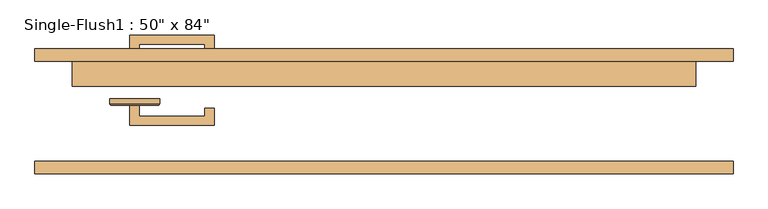
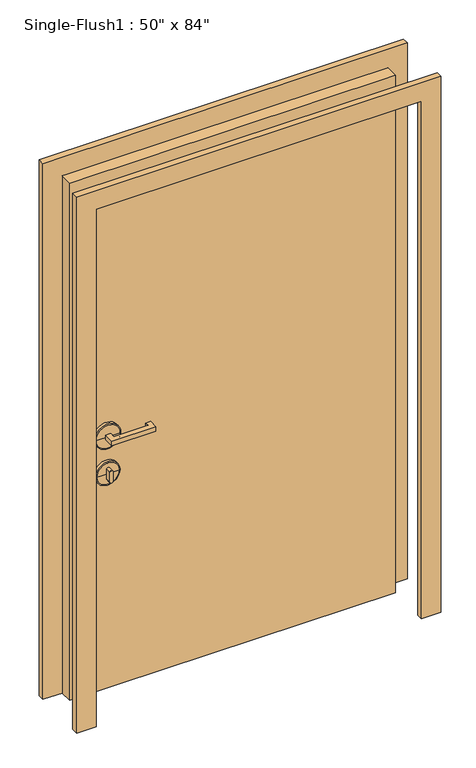
"""IFC4 building model written with IfcOpenShell, lengths in millimetres: door geometry."""

from ifc_helpers import new_model, si_unit, point, frame, frame_2d, origin, origin_with_axes, place, context, project, spatial, polyline, circle_curve, ellipse_curve, trimmed, segment, composite_curve, outline, extrude, source, transform, mapped, element, save
from ifc_brep_helpers import plane_surface, cylinder_surface, revolved_surface, advanced_brep


def door_7e59bb8a(model_context):
    return source(origin(), model_context, "Body", "SolidModel", [
        extrude(outline(polyline([(-498.475, 12.7), (-498.475, -9.525), (-365.125, -9.525), (-365.125, 6.35), (-346.075, 6.35), (-346.075, -28.575), (-517.525, -28.575), (-517.525, 12.7), (-498.475, 12.7)])), frame((0.0, 0.0, 1057.275), z_axis=(0.0, 0.0, 1.0), x_axis=(1.0, 0.0, 0.0)), (0.0, 0.0, 1.0), 19.05),
        extrude(outline(composite_curve([segment(trimmed(circle_curve(frame_2d((895.35, -508.0)), 6.35), [point((895.35, -514.35))], [point((895.35, -501.65))], False, "CARTESIAN"), True, "CONTINUOUS"), segment(polyline([(895.35, -501.65), (933.45, -501.65)]), True, "CONTINUOUS"), segment(trimmed(circle_curve(frame_2d((933.45, -508.0)), 6.35), [point((933.45, -501.65))], [point((933.45, -514.35))], False, "CARTESIAN"), True, "CONTINUOUS"), segment(polyline([(933.45, -514.35), (895.35, -514.35)]), True, "CONTINUOUS")], self_intersect=False)), frame((0.0, -9.525, 0.0), z_axis=(0.0, 1.0, 0.0), x_axis=(0.0, 0.0, 1.0)), (0.0, 0.0, 1.0), 22.225),
        advanced_brep(
        [(-460.375, 15.875, 914.4), (-460.375, 25.4, 914.4), (-555.625, 25.4, 914.4), (-555.625, 15.875, 914.4), (-463.55, 12.7, 914.4), (-552.45, 12.7, 914.4), (-508.0, 12.7, 914.4), (-508.0, 25.4, 914.4)],
        [
            (0, 1),
            (1, 2, circle_curve(frame((-508.0, 25.4, 914.4), z_axis=(0.0, -1.0, 0.0), x_axis=(-1.0, 0.0, 0.0)), 47.625)),
            (2, 3),
            (3, 0, circle_curve(frame((-508.0, 15.875, 914.4), z_axis=(0.0, 1.0, 0.0), x_axis=(-1.0, 0.0, 0.0)), 47.625)),
            (2, 1, circle_curve(frame((-508.0, 25.4, 914.4), z_axis=(0.0, -1.0, 0.0), x_axis=(-1.0, 0.0, 0.0)), 47.625)),
            (0, 3, circle_curve(frame((-508.0, 15.875, 914.4), z_axis=(0.0, 1.0, 0.0), x_axis=(-1.0, 0.0, 0.0)), 47.625)),
            (4, 0, circle_curve(frame((-463.55, 15.875, 914.4), z_axis=(0.0, 0.0, 1.0), x_axis=(-1.0, 0.0, 0.0)), 3.175)),
            (3, 5, circle_curve(frame((-552.45, 15.875, 914.4), z_axis=(0.0, 0.0, 1.0), x_axis=(1.0, 0.0, 0.0)), 3.175)),
            (5, 4, circle_curve(frame((-508.0, 12.7, 914.4), z_axis=(0.0, 1.0, 0.0), x_axis=(-1.0, 0.0, 0.0)), 44.45)),
            (4, 5, circle_curve(frame((-508.0, 12.7, 914.4), z_axis=(0.0, 1.0, 0.0), x_axis=(-1.0, 0.0, 0.0)), 44.45)),
            (6, 4),
            (5, 6),
            (1, 7),
            (7, 2),
        ],
        [
            cylinder_surface(frame((-508.0, 152.4, 914.4), z_axis=(0.0, -1.0, 0.0), x_axis=(-1.0, 0.0, 0.0)), 47.625),
            revolved_surface(trimmed(ellipse_curve(frame((-552.45, 15.875, 914.4), z_axis=(0.0, 0.0, 1.0), x_axis=(1.0, 0.0, 0.0)), 3.175, 3.175), [point((-555.625, 15.875, 914.4))], [point((-552.45, 12.7, 914.4))], True, "CARTESIAN"), (-508.0, 152.4, 914.4), (0.0, -1.0, 0.0)),
            plane_surface(frame((-508.0, 12.7, 914.4), z_axis=(0.0, -1.0, 0.0), x_axis=(-1.0, 0.0, 0.0))),
            plane_surface(frame((-508.0, 25.4, 914.4), z_axis=(0.0, 1.0, 0.0), x_axis=(-1.0, 0.0, 0.0))),
        ],
        [
            (0, [[1, 2, 3, 4]]),
            (0, [[-3, 5, -1, 6]]),
            (1, [[7, -4, 8, 9]]),
            (1, [[-8, -6, -7, 10]]),
            (2, [[11, -9, 12]]),
            (2, [[-12, -10, -11]]),
            (3, [[13, 14, -2]]),
            (3, [[-14, -13, -5]]),
        ],
    ),
        advanced_brep(
        [(-457.2, 15.875, 1066.8), (-457.2, 25.4, 1066.8), (-558.8, 25.4, 1066.8), (-558.8, 15.875, 1066.8), (-460.375, 12.7, 1066.8), (-555.625, 12.7, 1066.8), (-508.0, 12.7, 1066.8), (-508.0, 25.4, 1066.8)],
        [
            (0, 1),
            (1, 2, circle_curve(frame((-508.0, 25.4, 1066.8), z_axis=(0.0, -1.0, 0.0), x_axis=(-1.0, 0.0, 0.0)), 50.8)),
            (2, 3),
            (3, 0, circle_curve(frame((-508.0, 15.875, 1066.8), z_axis=(0.0, 1.0, 0.0), x_axis=(-1.0, 0.0, 0.0)), 50.8)),
            (2, 1, circle_curve(frame((-508.0, 25.4, 1066.8), z_axis=(0.0, -1.0, 0.0), x_axis=(-1.0, 0.0, 0.0)), 50.8)),
            (0, 3, circle_curve(frame((-508.0, 15.875, 1066.8), z_axis=(0.0, 1.0, 0.0), x_axis=(-1.0, 0.0, 0.0)), 50.8)),
            (4, 0, circle_curve(frame((-460.375, 15.875, 1066.8), z_axis=(0.0, 0.0, 1.0), x_axis=(-1.0, 0.0, 0.0)), 3.175)),
            (3, 5, circle_curve(frame((-555.625, 15.875, 1066.8), z_axis=(0.0, 0.0, 1.0), x_axis=(1.0, 0.0, 0.0)), 3.175)),
            (5, 4, circle_curve(frame((-508.0, 12.7, 1066.8), z_axis=(0.0, 1.0, 0.0), x_axis=(-1.0, 0.0, 0.0)), 47.625)),
            (4, 5, circle_curve(frame((-508.0, 12.7, 1066.8), z_axis=(0.0, 1.0, 0.0), x_axis=(-1.0, 0.0, 0.0)), 47.625)),
            (6, 4),
            (5, 6),
            (1, 7),
            (7, 2),
        ],
        [
            cylinder_surface(frame((-508.0, 152.4, 1066.8), z_axis=(0.0, -1.0, 0.0), x_axis=(-1.0, 0.0, 0.0)), 50.8),
            revolved_surface(trimmed(ellipse_curve(frame((-555.625, 15.875, 1066.8), z_axis=(0.0, 0.0, 1.0), x_axis=(1.0, 0.0, 0.0)), 3.175, 3.175), [point((-558.8, 15.875, 1066.8))], [point((-555.625, 12.7, 1066.8))], True, "CARTESIAN"), (-508.0, 152.4, 1066.8), (0.0, -1.0, 0.0)),
            plane_surface(frame((-508.0, 12.7, 1066.8), z_axis=(0.0, -1.0, 0.0), x_axis=(-1.0, 0.0, 0.0))),
            plane_surface(frame((-508.0, 25.4, 1066.8), z_axis=(0.0, 1.0, 0.0), x_axis=(-1.0, 0.0, 0.0))),
        ],
        [
            (0, [[1, 2, 3, 4]]),
            (0, [[-3, 5, -1, 6]]),
            (1, [[7, -4, 8, 9]]),
            (1, [[-8, -6, -7, 10]]),
            (2, [[11, -9, 12]]),
            (2, [[-12, -10, -11]]),
            (3, [[13, 14, -2]]),
            (3, [[-14, -13, -5]]),
        ],
    ),
        extrude(outline(polyline([(-498.475, 114.3), (-517.525, 114.3), (-517.525, 155.575), (-346.075, 155.575), (-346.075, 120.65), (-365.125, 120.65), (-365.125, 136.525), (-498.475, 136.525), (-498.475, 114.3)])), frame((0.0, 0.0, 1057.275), z_axis=(0.0, 0.0, 1.0), x_axis=(1.0, 0.0, 0.0)), (0.0, 0.0, 1.0), 19.05),
        extrude(outline(composite_curve([segment(trimmed(circle_curve(frame_2d((895.35, -508.0)), 6.35), [point((895.35, -514.35))], [point((895.35, -501.65))], False, "CARTESIAN"), True, "CONTINUOUS"), segment(polyline([(895.35, -501.65), (933.45, -501.65)]), True, "CONTINUOUS"), segment(trimmed(circle_curve(frame_2d((933.45, -508.0)), 6.35), [point((933.45, -501.65))], [point((933.45, -514.35))], False, "CARTESIAN"), True, "CONTINUOUS"), segment(polyline([(933.45, -514.35), (895.35, -514.35)]), True, "CONTINUOUS")], self_intersect=False)), frame((0.0, 114.3, 0.0), z_axis=(0.0, 1.0, 0.0), x_axis=(0.0, 0.0, 1.0)), (0.0, 0.0, 1.0), 22.225),
        advanced_brep(
        [(-460.375, 111.125, 914.4), (-555.625, 111.125, 914.4), (-555.625, 101.6, 914.4), (-460.375, 101.6, 914.4), (-463.55, 114.3, 914.4), (-552.45, 114.3, 914.4), (-508.0, 114.3, 914.4), (-508.0, 101.6, 914.4)],
        [
            (0, 1, circle_curve(frame((-508.0, 111.125, 914.4), z_axis=(0.0, -1.0, 0.0), x_axis=(-1.0, 0.0, 0.0)), 47.625)),
            (1, 2),
            (2, 3, circle_curve(frame((-508.0, 101.6, 914.4), z_axis=(0.0, 1.0, 0.0), x_axis=(-1.0, 0.0, 0.0)), 47.625)),
            (3, 0),
            (1, 0, circle_curve(frame((-508.0, 111.125, 914.4), z_axis=(0.0, -1.0, 0.0), x_axis=(-1.0, 0.0, 0.0)), 47.625)),
            (3, 2, circle_curve(frame((-508.0, 101.6, 914.4), z_axis=(0.0, 1.0, 0.0), x_axis=(-1.0, 0.0, 0.0)), 47.625)),
            (4, 5, circle_curve(frame((-508.0, 114.3, 914.4), z_axis=(0.0, -1.0, 0.0), x_axis=(-1.0, 0.0, 0.0)), 44.45)),
            (5, 1, circle_curve(frame((-552.45, 111.125, 914.4), z_axis=(0.0, 0.0, 1.0), x_axis=(1.0, 0.0, 0.0)), 3.175)),
            (0, 4, circle_curve(frame((-463.55, 111.125, 914.4), z_axis=(0.0, 0.0, 1.0), x_axis=(-1.0, 0.0, 0.0)), 3.175)),
            (5, 4, circle_curve(frame((-508.0, 114.3, 914.4), z_axis=(0.0, -1.0, 0.0), x_axis=(-1.0, 0.0, 0.0)), 44.45)),
            (6, 5),
            (4, 6),
            (2, 7),
            (7, 3),
        ],
        [
            cylinder_surface(frame((-508.0, -25.4, 914.4), z_axis=(0.0, 1.0, 0.0), x_axis=(-1.0, 0.0, 0.0)), 47.625),
            revolved_surface(trimmed(ellipse_curve(frame((-552.45, 111.125, 914.4), z_axis=(0.0, 0.0, -1.0), x_axis=(1.0, 0.0, 0.0)), 3.175, 3.175), [point((-555.625, 111.125, 914.4))], [point((-552.45, 114.3, 914.4))], True, "CARTESIAN"), (-508.0, -25.4, 914.4), (0.0, 1.0, 0.0)),
            plane_surface(frame((-508.0, 114.3, 914.4), z_axis=(0.0, 1.0, 0.0), x_axis=(-1.0, 0.0, 0.0))),
            plane_surface(frame((-508.0, 101.6, 914.4), z_axis=(0.0, -1.0, 0.0), x_axis=(-1.0, 0.0, 0.0))),
        ],
        [
            (0, [[1, 2, 3, 4]]),
            (0, [[5, -4, 6, -2]]),
            (1, [[7, 8, -1, 9]]),
            (1, [[10, -9, -5, -8]]),
            (2, [[11, -7, 12]]),
            (2, [[-12, -10, -11]]),
            (3, [[-3, 13, 14]]),
            (3, [[-6, -14, -13]]),
        ],
    ),
        advanced_brep(
        [(-457.2, 111.125, 1066.8), (-558.8, 111.125, 1066.8), (-558.8, 101.6, 1066.8), (-457.2, 101.6, 1066.8), (-460.375, 114.3, 1066.8), (-555.625, 114.3, 1066.8), (-508.0, 114.3, 1066.8), (-508.0, 101.6, 1066.8)],
        [
            (0, 1, circle_curve(frame((-508.0, 111.125, 1066.8), z_axis=(0.0, -1.0, 0.0), x_axis=(-1.0, 0.0, 0.0)), 50.8)),
            (1, 2),
            (2, 3, circle_curve(frame((-508.0, 101.6, 1066.8), z_axis=(0.0, 1.0, 0.0), x_axis=(-1.0, 0.0, 0.0)), 50.8)),
            (3, 0),
            (1, 0, circle_curve(frame((-508.0, 111.125, 1066.8), z_axis=(0.0, -1.0, 0.0), x_axis=(-1.0, 0.0, 0.0)), 50.8)),
            (3, 2, circle_curve(frame((-508.0, 101.6, 1066.8), z_axis=(0.0, 1.0, 0.0), x_axis=(-1.0, 0.0, 0.0)), 50.8)),
            (4, 5, circle_curve(frame((-508.0, 114.3, 1066.8), z_axis=(0.0, -1.0, 0.0), x_axis=(-1.0, 0.0, 0.0)), 47.625)),
            (5, 1, circle_curve(frame((-555.625, 111.125, 1066.8), z_axis=(0.0, 0.0, 1.0), x_axis=(1.0, 0.0, 0.0)), 3.175)),
            (0, 4, circle_curve(frame((-460.375, 111.125, 1066.8), z_axis=(0.0, 0.0, 1.0), x_axis=(-1.0, 0.0, 0.0)), 3.175)),
            (5, 4, circle_curve(frame((-508.0, 114.3, 1066.8), z_axis=(0.0, -1.0, 0.0), x_axis=(-1.0, 0.0, 0.0)), 47.625)),
            (6, 5),
            (4, 6),
            (2, 7),
            (7, 3),
        ],
        [
            cylinder_surface(frame((-508.0, -25.4, 1066.8), z_axis=(0.0, 1.0, 0.0), x_axis=(-1.0, 0.0, 0.0)), 50.8),
            revolved_surface(trimmed(ellipse_curve(frame((-555.625, 111.125, 1066.8), z_axis=(0.0, 0.0, -1.0), x_axis=(1.0, 0.0, 0.0)), 3.175, 3.175), [point((-558.8, 111.125, 1066.8))], [point((-555.625, 114.3, 1066.8))], True, "CARTESIAN"), (-508.0, -25.4, 1066.8), (0.0, 1.0, 0.0)),
            plane_surface(frame((-508.0, 114.3, 1066.8), z_axis=(0.0, 1.0, 0.0), x_axis=(-1.0, 0.0, 0.0))),
            plane_surface(frame((-508.0, 101.6, 1066.8), z_axis=(0.0, -1.0, 0.0), x_axis=(-1.0, 0.0, 0.0))),
        ],
        [
            (0, [[1, 2, 3, 4]]),
            (0, [[5, -4, 6, -2]]),
            (1, [[7, 8, -1, 9]]),
            (1, [[10, -9, -5, -8]]),
            (2, [[11, -7, 12]]),
            (2, [[-12, -10, -11]]),
            (3, [[-3, 13, 14]]),
            (3, [[-6, -14, -13]]),
        ],
    ),
        extrude(outline(polyline([(2209.8, -711.2), (0.0, -711.2), (0.0, -635.0), (2133.6, -635.0), (2133.6, 635.0), (0.0, 635.0), (0.0, 711.2), (2209.8, 711.2), (2209.8, -711.2)])), frame((0.0, 101.6, 0.0), z_axis=(0.0, 1.0, 0.0), x_axis=(0.0, 0.0, 1.0)), (0.0, 0.0, 1.0), 25.4),
        extrude(outline(polyline([(2209.8, 711.2), (2209.8, -711.2), (0.0, -711.2), (0.0, -635.0), (2133.6, -635.0), (2133.6, 635.0), (0.0, 635.0), (0.0, 711.2), (2209.8, 711.2)])), frame((0.0, -127.0, 0.0), z_axis=(0.0, 1.0, 0.0), x_axis=(0.0, 0.0, 1.0)), (0.0, 0.0, 1.0), 25.4),
        extrude(outline(polyline([(635.0, 50.8), (-635.0, 50.8), (-635.0, 101.6), (635.0, 101.6), (635.0, 50.8)])), origin_with_axes(), (0.0, 0.0, 1.0), 2133.6),
    ])


if __name__ == "__main__":
    model = new_model("IFC4")
    model_context = context("Model", 3, world=origin())
    ifc_project = project(units=[si_unit("LENGTHUNIT", "METRE", prefix="MILLI")], contexts=[model_context])
    site = spatial("IfcSite", under=ifc_project)
    building = spatial("IfcBuilding", under=site)
    placement = place(None, origin())
    door_shape = door_7e59bb8a(model_context)
    element("IfcDoor", 1, ObjectType="Single-Flush1 : 50\" x 84\"", at=placement, inside=building, context=model_context, shape_type="MappedRepresentation", body=[
        mapped(door_shape, transform((0.0, 0.0, 0.0), x_axis=(1.0, 0.0, 0.0), y_axis=(0.0, 1.0, 0.0), z_axis=(0.0, 0.0, 1.0))),
    ])
    save(model, "model.ifc")
